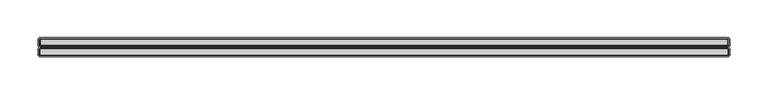
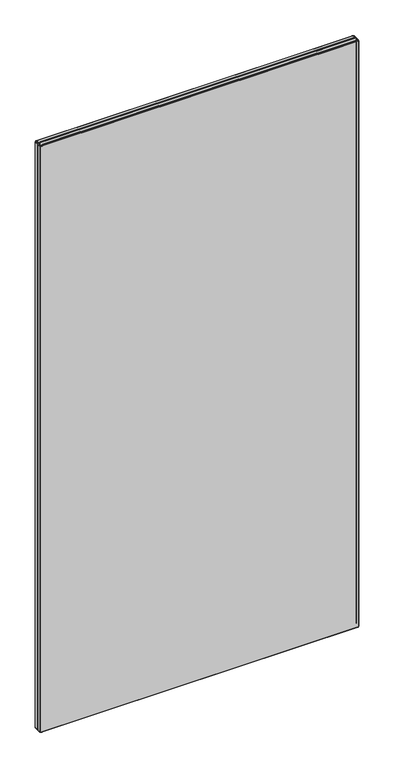
"""IFC4 building model written with IfcOpenShell, lengths in millimetres: furniture geometry."""

from ifc_helpers import new_model, si_unit, origin, place, context, project, spatial, triangles, source, transform, mapped, element, save


def furniture_46b2c177(model_context):
    return source(origin(), model_context, "Body", "Tessellation", [
        triangles([(3818.8903451, 5249.73004, 105.6580039), (3818.8903451, 5241.5620429, 105.6580039), (3817.8323428, 5241.5620429, 106.3650011), (3817.8323428, 5249.73004, 106.3650011), (3820.137362, 5251.1780257, 1879.7949978), (3819.5083306, 5251.1780257, 1879.6700054), (3819.1133693, 5250.7550501, 1880.624017), (3820.137362, 5250.7550501, 1880.8270569), (3817.6643298, 5250.7550501, 107.6450011), (3817.1263539, 5249.73004, 107.4220041), (3816.8773866, 5249.73004, 108.6700021), (3817.4603452, 5250.7550501, 108.6700021), (3819.1133693, 5250.7550501, 106.1969971), (3819.5083306, 5251.1780257, 107.1509996), (3820.137362, 5251.1780257, 107.0259981), (3820.137362, 5250.7550501, 105.9930034), (4727.6183076, 5249.73004, 1881.4100155), (3820.137362, 5249.73004, 1881.4100155), (3820.137362, 5241.5620429, 1881.4100155), (4727.6183076, 5241.5620429, 1881.4100155), (4730.877411, 5241.5620429, 1878.1510574), (4730.877411, 5241.5620429, 108.6700021), (4730.877411, 5249.73004, 108.6700021), (4730.877411, 5249.73004, 1878.1510574), (4728.8653245, 5241.5620429, 1881.1620655), (4728.8653245, 5249.73004, 1881.1620655), (4729.5113606, 5250.7550501, 1880.0429478), (4728.642373, 5250.7550501, 1880.624017), (4729.9233994, 5249.73004, 1880.456004), (4727.6183076, 5250.7550501, 1880.8270569), (4728.247339, 5251.1780257, 1879.6700054), (4727.6183076, 5251.1780257, 1879.7949978), (4728.7803006, 5251.1780257, 1879.3130505), (3817.1263539, 5249.73004, 1879.397929), (3817.1263539, 5241.5620429, 1879.397929), (3817.8323428, 5241.5620429, 1880.456004), (3817.8323428, 5249.73004, 1880.456004), (3816.8773866, 5241.5620429, 1878.1510574), (3816.8773866, 5249.73004, 1878.1510574), (3817.6643298, 5250.7550501, 1879.1749775), (3817.4603452, 5250.7550501, 1878.1510574), (3818.8903451, 5249.73004, 1881.1620655), (3818.2443816, 5250.7550501, 1880.0429478), (4730.0914124, 5250.7550501, 1879.1749775), (4729.1374009, 5251.1780257, 1878.7799435), (3820.137362, 5249.73004, 105.4099994), (3818.2443816, 5250.7550501, 106.7770035), (4730.6293157, 5249.73004, 1879.397929), (3818.975369, 5251.1780257, 107.5070008), (4730.2953244, 5250.7550501, 108.6700021), (4730.2953244, 5250.7550501, 1878.1510574), (4730.6293157, 5241.5620429, 107.4220041), (4730.6293157, 5249.73004, 107.4220041), (4729.9233994, 5241.5620429, 1880.456004), (4730.6293157, 5241.5620429, 1879.397929), (3818.493349, 5251.1780257, 1878.1510574), (3818.493349, 5251.1780257, 108.6700021), (4729.9233994, 5249.73004, 106.3650011), (4729.9233994, 5241.5620429, 106.3650011), (3820.137362, 5241.5620429, 105.4099994), (4728.8653245, 5241.5620429, 105.6580039), (4728.8653245, 5249.73004, 105.6580039), (4727.6183076, 5249.73004, 105.4099994), (4727.6183076, 5241.5620429, 105.4099994), (4727.6183076, 5250.7550501, 105.9930034), (4728.642373, 5250.7550501, 106.1969971), (4729.5113606, 5250.7550501, 106.7770035), (4730.0914124, 5250.7550501, 107.6450011), (4729.1374009, 5251.1780257, 108.0399987), (4729.2623933, 5251.1780257, 108.6700021), (4728.7803006, 5251.1780257, 107.5070008), (4728.247339, 5251.1780257, 107.1509996), (4727.6183076, 5251.1780257, 107.0259981), (3818.6183413, 5251.1780257, 108.0399987), (4729.2623933, 5251.1780257, 1878.1510574), (3818.975369, 5251.1780257, 1879.3130505), (3818.8903451, 5241.5620429, 1881.1620655), (3818.6183413, 5251.1780257, 1878.7799435), (3816.8773866, 5241.5620429, 108.6700021), (3817.1263539, 5241.5620429, 107.4220041), (3820.137362, 5249.73004, 1881.2680183), (3820.137362, 5240.5370328, 1880.8270569), (3820.137362, 5240.1140208, 1879.7949978), (4727.6183076, 5240.1140208, 1879.7949978), (4727.6183076, 5240.5370328, 1880.8270569), (3818.962361, 5239.1640425, 1878.0560051), (3820.2323417, 5239.1640425, 1879.3259857), (3819.7463248, 5239.1640425, 1879.229044), (3819.0593755, 5239.1640425, 1878.5420219), (4728.247339, 5240.1140208, 1879.6700054), (4728.642373, 5240.5370328, 1880.624017), (4727.6183076, 5252.551016, 1879.7949978), (3820.137362, 5252.551016, 1879.7949978), (3818.493349, 5252.551016, 108.6700021), (3818.6183413, 5252.551016, 108.0399987), (4730.0914124, 5240.5370328, 1879.1749775), (4729.5113606, 5240.5370328, 1880.0429478), (3818.6183413, 5252.551016, 1878.7799435), (3818.493349, 5252.551016, 1878.1510574), (4729.2623933, 5252.551016, 1878.1510574), (4729.1374009, 5252.551016, 1878.7799435), (3819.5083306, 5252.551016, 1879.6700054), (3818.975369, 5252.551016, 1879.3130505), (4728.0094174, 5239.1640425, 1879.229044), (4727.5234006, 5239.1640425, 1879.3259857), (4728.7933812, 5239.1640425, 1878.0560051), (4728.6962941, 5239.1640425, 1878.5420219), (3819.0593755, 5239.1640425, 108.2790012), (3819.3343587, 5239.1640425, 107.8669988), (3819.7463248, 5239.1640425, 107.5909982), (3818.962361, 5239.1640425, 108.7649999), (4728.7933812, 5239.1640425, 108.7649999), (4728.6962941, 5239.1640425, 108.2790012), (4727.5234006, 5239.1640425, 107.4950011), (4728.0094174, 5239.1640425, 107.5909982), (3820.2323417, 5239.1640425, 107.4950011), (4728.247339, 5252.551016, 1879.6700054), (4728.7803006, 5252.551016, 1879.3130505), (4728.247339, 5252.551016, 107.1509996), (4727.6183076, 5252.551016, 107.0259981), (4728.4213109, 5239.1640425, 107.8669988), (3820.137362, 5252.551016, 107.0259981), (3819.5083306, 5252.551016, 107.1509996), (3818.975369, 5252.551016, 107.5070008), (4728.7803006, 5252.551016, 107.5070008), (3819.3343587, 5239.1640425, 1878.9540607), (4729.2623933, 5252.551016, 108.6700021), (4728.4213109, 5239.1640425, 1878.9540607), (4729.1374009, 5252.551016, 108.0399987), (4730.2953244, 5240.5370328, 1878.1510574), (3817.4603452, 5240.5370328, 108.6700021), (3818.493349, 5240.1140208, 108.6700021), (3818.493349, 5240.1140208, 1878.1510574), (3817.4603452, 5240.5370328, 1878.1510574), (4730.0914124, 5240.5370328, 107.6450011), (4729.1374009, 5240.1140208, 108.0399987), (4728.7803006, 5240.1140208, 107.5070008), (4729.5113606, 5240.5370328, 106.7770035), (3819.1133693, 5240.5370328, 106.1969971), (3818.2443816, 5240.5370328, 106.7770035), (3820.137362, 5240.5370328, 105.9930034), (3819.5083306, 5240.1140208, 107.1509996), (3818.975369, 5240.1140208, 107.5070008), (3818.6183413, 5240.1140208, 108.0399987), (3817.6643298, 5240.5370328, 107.6450011), (4730.2953244, 5240.5370328, 108.6700021), (4727.6183076, 5240.5370328, 105.9930034), (4728.642373, 5240.5370328, 106.1969971), (4729.2623933, 5240.1140208, 108.6700021), (4728.247339, 5240.1140208, 107.1509996), (3820.137362, 5240.1140208, 107.0259981), (3818.6183413, 5240.1140208, 1878.7799435), (3818.975369, 5240.1140208, 1879.3130505), (3818.2443816, 5240.5370328, 1880.0429478), (3817.6643298, 5240.5370328, 1879.1749775), (3819.5083306, 5240.1140208, 1879.6700054), (4728.7803006, 5240.1140208, 1879.3130505), (4729.1374009, 5240.1140208, 1878.7799435), (4727.6183076, 5240.1140208, 107.0259981), (4729.2623933, 5240.1140208, 1878.1510574), (3819.1133693, 5240.5370328, 1880.624017), (3820.137362, 5252.973047, 1880.8270569), (3820.137362, 5253.9980207, 1881.4100155), (3818.8903451, 5253.9980207, 1881.1620655), (3819.1133693, 5252.973047, 1880.624017), (4729.9233994, 5262.1670352, 106.3650011), (4730.6293157, 5262.1670352, 107.4220041), (4730.6293157, 5253.9980207, 107.4220041), (4729.9233994, 5253.9980207, 106.3650011), (4728.642373, 5252.973047, 106.1969971), (4728.8653245, 5253.9980207, 105.6580039), (4729.5113606, 5252.973047, 106.7770035), (4730.6293157, 5253.9980207, 1879.397929), (4730.6293157, 5262.1670352, 1879.397929), (4729.9233994, 5262.1670352, 1880.456004), (4729.9233994, 5253.9980207, 1880.456004), (4730.0914124, 5252.973047, 107.6450011), (4730.2953244, 5252.973047, 108.6700021), (3820.137362, 5253.9980207, 105.4099994), (3818.8903451, 5253.9980207, 105.6580039), (3818.8903451, 5262.1670352, 105.6580039), (3820.137362, 5262.1670352, 105.4099994), (4727.6183076, 5262.1670352, 105.4099994), (4728.8653245, 5262.1670352, 105.6580039), (4727.6183076, 5253.9980207, 105.4099994), (4730.0914124, 5252.973047, 1879.1749775), (4729.5113606, 5252.973047, 1880.0429478), (4730.877411, 5253.9980207, 1878.1510574), (4730.2953244, 5252.973047, 1878.1510574), (3817.8323428, 5253.9980207, 1880.456004), (3818.8903451, 5262.1670352, 1881.1620655), (3817.8323428, 5262.1670352, 1880.456004), (3818.2443816, 5252.973047, 106.7770035), (3817.6643298, 5252.973047, 107.6450011), (3817.1263539, 5253.9980207, 107.4220041), (3817.8323428, 5253.9980207, 106.3650011), (3820.137362, 5252.973047, 105.9930034), (3819.1133693, 5252.973047, 106.1969971), (4730.877411, 5253.9980207, 108.6700021), (4730.877411, 5262.1670352, 108.6700021), (4730.877411, 5262.1670352, 1878.1510574), (3817.8323428, 5262.1670352, 106.3650011), (3820.137362, 5262.1670352, 1881.4100155), (4728.642373, 5252.973047, 1880.624017), (4728.8653245, 5253.9980207, 1881.1620655), (4727.6183076, 5253.9980207, 1881.4100155), (4727.6183076, 5252.973047, 1880.8270569), (3818.2443816, 5252.973047, 1880.0429478), (3817.1263539, 5253.9980207, 1879.397929), (3817.6643298, 5252.973047, 1879.1749775), (3817.4603452, 5252.973047, 108.6700021), (4727.6183076, 5252.973047, 105.9930034), (4728.8653245, 5262.1670352, 1881.1620655), (4727.6183076, 5262.1670352, 1881.4100155), (3816.8773866, 5253.9980207, 1878.1510574), (3817.1263539, 5262.1670352, 1879.397929), (3816.8773866, 5262.1670352, 1878.1510574), (3816.8773866, 5253.9980207, 108.6700021), (3817.4603452, 5252.973047, 1878.1510574), (3820.137362, 5253.9980207, 1881.2680183), (3816.8773866, 5262.1670352, 108.6700021), (3817.1263539, 5262.1670352, 107.4220041), (3817.6643298, 5263.1920453, 1879.1749775), (3818.2443816, 5263.1920453, 1880.0429478), (3820.137362, 5263.6140399, 1879.7949978), (3819.5083306, 5263.6140399, 1879.6700054), (3819.1133693, 5263.1920453, 1880.624017), (3820.137362, 5263.1920453, 1880.8270569), (3818.975369, 5263.6140399, 1879.3130505), (3818.6183413, 5263.6140399, 1878.7799435), (3818.493349, 5263.6140399, 1878.1510574), (3817.4603452, 5263.1920453, 1878.1510574), (3818.493349, 5263.6140399, 108.6700021), (3817.4603452, 5263.1920453, 108.6700021), (3819.1133693, 5263.1920453, 106.1969971), (3818.2443816, 5263.1920453, 106.7770035), (3819.0593755, 5264.5640182, 108.2790012), (3819.7463248, 5264.5640182, 107.5909982), (3819.3343587, 5264.5640182, 107.8669988), (3818.962361, 5264.5640182, 1878.0560051), (3820.2323417, 5264.5640182, 1879.3259857), (4727.5234006, 5264.5640182, 1879.3259857), (4728.7933812, 5264.5640182, 1878.0560051), (4729.5113606, 5263.1920453, 1880.0429478), (4728.7803006, 5263.6140399, 1879.3130505), (4728.247339, 5263.6140399, 1879.6700054), (4728.642373, 5263.1920453, 1880.624017), (3817.6643298, 5263.1920453, 107.6450011), (3819.0593755, 5264.5640182, 1878.5420219), (3819.7463248, 5264.5640182, 1879.229044), (4728.0094174, 5264.5640182, 107.5909982), (4728.6962941, 5264.5640182, 108.2790012), (4728.4213109, 5264.5640182, 107.8669988), (4727.6183076, 5263.1920453, 1880.8270569), (4730.0914124, 5263.1920453, 1879.1749775), (4729.1374009, 5263.6140399, 1878.7799435), (4728.7933812, 5264.5640182, 108.7649999), (3818.962361, 5264.5640182, 108.7649999), (3820.137362, 5263.1920453, 105.9930034), (3818.6183413, 5263.6140399, 108.0399987), (4728.0094174, 5264.5640182, 1879.229044), (4728.4213109, 5264.5640182, 1878.9540607), (4728.6962941, 5264.5640182, 1878.5420219), (4730.2953244, 5263.1920453, 1878.1510574), (3818.975369, 5263.6140399, 107.5070008), (3819.3343587, 5264.5640182, 1878.9540607), (3819.5083306, 5263.6140399, 107.1509996), (3820.137362, 5263.6140399, 107.0259981), (4729.2623933, 5263.6140399, 1878.1510574), (3820.2323417, 5264.5640182, 107.4950011), (4727.6183076, 5263.6140399, 1879.7949978), (4727.5234006, 5264.5640182, 107.4950011), (4730.2953244, 5263.1920453, 108.6700021), (4729.2623933, 5263.6140399, 108.6700021), (4727.6183076, 5263.6140399, 107.0259981), (4727.6183076, 5263.1920453, 105.9930034), (4728.7803006, 5263.6140399, 107.5070008), (4728.247339, 5263.6140399, 107.1509996), (4729.1374009, 5263.6140399, 108.0399987), (4729.5113606, 5263.1920453, 106.7770035), (4728.642373, 5263.1920453, 106.1969971), (4730.0914124, 5263.1920453, 107.6450011)], [[1, 2, 3], [1, 3, 4], [5, 6, 7], [5, 7, 8], [9, 10, 11], [9, 11, 12], [13, 14, 15], [13, 15, 16], [17, 18, 19], [17, 19, 20], [21, 22, 23], [21, 23, 24], [17, 20, 25], [17, 25, 26], [27, 28, 26], [27, 26, 29], [30, 17, 26], [30, 26, 28], [30, 28, 31], [30, 31, 32], [27, 33, 31], [27, 31, 28], [34, 35, 36], [34, 36, 37], [38, 35, 34], [38, 34, 39], [39, 34, 40], [39, 40, 41], [37, 42, 7], [37, 7, 43], [27, 44, 45], [27, 45, 33], [40, 34, 37], [40, 37, 43], [7, 42, 18], [7, 18, 8], [46, 1, 13], [46, 13, 16], [4, 10, 9], [4, 9, 47], [27, 29, 48], [27, 48, 44], [49, 14, 13], [49, 13, 47], [24, 23, 50], [24, 50, 51], [23, 22, 52], [23, 52, 53], [13, 1, 4], [13, 4, 47], [29, 54, 55], [29, 55, 48], [41, 56, 57], [41, 57, 12], [58, 53, 52], [58, 52, 59], [60, 2, 1], [60, 1, 46], [58, 59, 61], [58, 61, 62], [63, 62, 61], [63, 61, 64], [65, 66, 62], [65, 62, 63], [67, 58, 62], [67, 62, 66], [67, 68, 53], [67, 53, 58], [50, 23, 53], [50, 53, 68], [50, 68, 69], [50, 69, 70], [67, 71, 69], [67, 69, 68], [67, 66, 72], [67, 72, 71], [65, 73, 72], [65, 72, 66], [64, 60, 46], [64, 46, 63], [9, 74, 49], [9, 49, 47], [50, 70, 75], [50, 75, 51], [7, 6, 76], [7, 76, 43], [57, 74, 9], [57, 9, 12], [29, 26, 25], [29, 25, 54], [36, 77, 42], [36, 42, 37], [24, 48, 55], [24, 55, 21], [51, 75, 45], [51, 45, 44], [76, 78, 40], [76, 40, 43], [30, 32, 5], [30, 5, 8], [40, 78, 56], [40, 56, 41], [39, 11, 79], [39, 79, 38], [41, 12, 11], [41, 11, 39], [3, 80, 10], [3, 10, 4], [10, 80, 79], [10, 79, 11], [42, 77, 19], [42, 19, 18], [51, 44, 48], [51, 48, 24], [30, 8, 81], [30, 81, 17], [82, 83, 84], [82, 84, 85], [58, 62, 66], [58, 66, 67], [16, 13, 14], [16, 14, 15], [47, 49, 14], [47, 14, 13], [86, 87, 88], [86, 88, 89], [84, 90, 91], [84, 91, 85], [92, 93, 5], [92, 5, 32], [94, 95, 74], [94, 74, 57], [96, 55, 54], [96, 54, 97], [98, 99, 56], [98, 56, 78], [100, 101, 45], [100, 45, 75], [47, 9, 74], [47, 74, 49], [68, 69, 70], [68, 70, 50], [16, 15, 73], [16, 73, 65], [4, 3, 80], [4, 80, 10], [102, 103, 76], [102, 76, 6], [16, 46, 1], [16, 1, 13], [106, 104, 105], [104, 106, 107], [108, 109, 110], [106, 105, 87], [106, 87, 86], [73, 72, 66], [73, 66, 65], [46, 60, 2], [46, 2, 1], [47, 4, 10], [47, 10, 9], [106, 86, 111], [106, 111, 112], [114, 113, 112], [113, 114, 115], [111, 116, 114], [111, 114, 112], [68, 53, 58], [68, 58, 67], [102, 6, 5], [102, 5, 93], [92, 32, 31], [92, 31, 117], [118, 33, 45], [118, 45, 101], [119, 72, 73], [119, 73, 120], [115, 121, 113], [122, 15, 14], [122, 14, 123], [71, 69, 68], [71, 68, 67], [124, 123, 14], [124, 14, 49], [119, 125, 71], [119, 71, 72], [53, 52, 59], [53, 59, 58], [66, 72, 71], [66, 71, 67], [124, 49, 74], [124, 74, 95], [94, 57, 56], [94, 56, 99], [91, 25, 20], [91, 20, 85], [20, 19, 82], [20, 82, 85], [22, 52, 53], [22, 53, 23], [118, 117, 31], [118, 31, 33], [108, 110, 116], [111, 108, 116], [89, 88, 126], [23, 53, 68], [23, 68, 50], [59, 61, 62], [59, 62, 58], [62, 61, 64], [62, 64, 63], [63, 46, 16], [63, 16, 65], [11, 10, 80], [11, 80, 79], [98, 78, 76], [98, 76, 103], [100, 75, 70], [100, 70, 127], [104, 107, 128], [47, 13, 1], [47, 1, 4], [129, 127, 70], [129, 70, 69], [12, 57, 74], [12, 74, 9], [4, 1, 2], [4, 2, 3], [129, 69, 71], [129, 71, 125], [122, 120, 73], [122, 73, 15], [21, 55, 96], [21, 96, 130], [54, 25, 91], [54, 91, 97], [12, 9, 10], [12, 10, 11], [66, 62, 63], [66, 63, 65], [131, 132, 133], [131, 133, 134], [135, 136, 137], [135, 137, 138], [3, 2, 139], [3, 139, 140], [139, 2, 60], [139, 60, 141], [139, 142, 143], [139, 143, 140], [143, 144, 145], [143, 145, 140], [140, 3, 2], [140, 2, 139], [140, 145, 80], [140, 80, 3], [146, 135, 52], [146, 52, 22], [147, 64, 61], [147, 61, 148], [149, 136, 135], [149, 135, 146], [140, 143, 144], [140, 144, 145], [138, 137, 150], [138, 150, 148], [151, 142, 139], [151, 139, 141], [145, 144, 132], [145, 132, 131], [152, 89, 126], [152, 126, 153], [131, 79, 80], [131, 80, 145], [141, 151, 142], [141, 142, 139], [138, 59, 52], [138, 52, 135], [59, 52, 135], [59, 135, 138], [152, 133, 86], [152, 86, 89], [137, 150, 148], [137, 148, 138], [154, 155, 152], [154, 152, 153], [156, 153, 126], [156, 126, 88], [91, 90, 157], [91, 157, 97], [156, 88, 87], [156, 87, 83], [64, 61, 148], [64, 148, 147], [38, 79, 131], [38, 131, 134], [135, 52, 22], [135, 22, 146], [138, 148, 61], [138, 61, 59], [84, 83, 87], [84, 87, 105], [84, 105, 104], [84, 104, 90], [157, 90, 104], [157, 104, 128], [157, 128, 107], [157, 107, 158], [147, 159, 151], [147, 151, 141], [130, 160, 149], [130, 149, 146], [160, 158, 107], [160, 107, 106], [132, 111, 86], [132, 86, 133], [111, 132, 144], [111, 144, 108], [109, 108, 144], [109, 144, 143], [109, 143, 142], [109, 142, 110], [116, 110, 142], [116, 142, 151], [159, 114, 116], [159, 116, 151], [140, 139, 142], [140, 142, 143], [130, 146, 22], [130, 22, 21], [148, 61, 59], [148, 59, 138], [134, 155, 35], [134, 35, 38], [154, 153, 156], [154, 156, 161], [154, 36, 35], [154, 35, 155], [154, 161, 77], [154, 77, 36], [82, 19, 77], [82, 77, 161], [131, 145, 144], [131, 144, 132], [96, 158, 160], [96, 160, 130], [148, 150, 159], [148, 159, 147], [157, 158, 96], [157, 96, 97], [141, 139, 2], [141, 2, 60], [82, 161, 156], [82, 156, 83], [147, 141, 60], [147, 60, 64], [147, 148, 150], [147, 150, 159], [138, 135, 136], [138, 136, 137], [134, 133, 152], [134, 152, 155], [146, 149, 136], [146, 136, 135], [79, 80, 145], [79, 145, 131], [145, 80, 3], [145, 3, 140], [162, 163, 164], [162, 164, 165], [166, 167, 168], [166, 168, 169], [170, 171, 169], [170, 169, 172], [173, 174, 175], [173, 175, 176], [127, 129, 177], [127, 177, 178], [177, 129, 125], [177, 125, 172], [179, 180, 181], [179, 181, 182], [183, 184, 171], [183, 171, 185], [112, 113, 136], [112, 136, 149], [186, 173, 176], [186, 176, 187], [188, 173, 186], [188, 186, 189], [190, 164, 191], [190, 191, 192], [193, 194, 195], [193, 195, 196], [197, 122, 123], [197, 123, 198], [114, 159, 150], [114, 150, 115], [118, 101, 186], [118, 186, 187], [188, 199, 200], [188, 200, 201], [171, 184, 166], [171, 166, 169], [177, 168, 199], [177, 199, 178], [125, 119, 170], [125, 170, 172], [185, 179, 182], [185, 182, 183], [168, 167, 200], [168, 200, 199], [196, 202, 181], [196, 181, 180], [121, 137, 136], [121, 136, 113], [163, 203, 191], [163, 191, 164], [169, 168, 177], [169, 177, 172], [193, 198, 123], [193, 123, 124], [204, 205, 206], [204, 206, 207], [208, 190, 209], [208, 209, 210], [211, 194, 95], [211, 95, 94], [185, 171, 170], [185, 170, 212], [170, 119, 120], [170, 120, 212], [185, 183, 184], [185, 184, 171], [205, 213, 214], [205, 214, 206], [215, 209, 216], [215, 216, 217], [215, 218, 211], [215, 211, 219], [197, 198, 180], [197, 180, 179], [193, 124, 95], [193, 95, 194], [206, 220, 162], [206, 162, 207], [219, 99, 98], [219, 98, 210], [189, 100, 127], [189, 127, 178], [201, 174, 173], [201, 173, 188], [162, 165, 102], [162, 102, 93], [160, 106, 112], [160, 112, 149], [204, 117, 118], [204, 118, 187], [121, 115, 150], [121, 150, 137], [92, 117, 204], [92, 204, 207], [186, 101, 100], [186, 100, 189], [208, 103, 102], [208, 102, 165], [176, 205, 204], [176, 204, 187], [214, 203, 163], [214, 163, 206], [190, 192, 216], [190, 216, 209], [208, 165, 164], [208, 164, 190], [208, 210, 98], [208, 98, 103], [217, 221, 218], [217, 218, 215], [211, 94, 99], [211, 99, 219], [218, 221, 222], [218, 222, 195], [196, 195, 222], [196, 222, 202], [193, 196, 180], [193, 180, 198], [211, 218, 195], [211, 195, 194], [175, 213, 205], [175, 205, 176], [219, 210, 209], [219, 209, 215], [162, 93, 92], [162, 92, 207], [189, 178, 199], [189, 199, 188], [223, 216, 192], [223, 192, 224], [225, 226, 227], [225, 227, 228], [229, 230, 223], [229, 223, 224], [202, 181, 180], [202, 180, 196], [212, 185, 171], [212, 171, 170], [218, 195, 194], [218, 194, 211], [223, 230, 231], [223, 231, 232], [172, 170, 171], [172, 171, 169], [195, 222, 202], [195, 202, 196], [232, 231, 233], [232, 233, 234], [235, 181, 202], [235, 202, 236], [237, 238, 239], [240, 241, 242], [240, 242, 243], [244, 245, 246], [244, 246, 247], [202, 222, 248], [202, 248, 236], [180, 181, 182], [180, 182, 179], [249, 250, 241], [240, 249, 241], [251, 252, 253], [244, 247, 213], [244, 213, 175], [254, 214, 213], [254, 213, 247], [244, 255, 256], [244, 256, 245], [257, 258, 240], [257, 240, 243], [254, 228, 203], [254, 203, 214], [192, 191, 227], [192, 227, 224], [244, 175, 174], [244, 174, 255], [232, 234, 221], [232, 221, 217], [248, 222, 221], [248, 221, 234], [182, 181, 235], [182, 235, 259], [233, 260, 248], [233, 248, 234], [178, 127, 129], [178, 129, 177], [261, 262, 263], [264, 255, 174], [264, 174, 201], [248, 260, 265], [248, 265, 236], [249, 266, 250], [265, 267, 235], [265, 235, 236], [235, 267, 268], [235, 268, 259], [212, 170, 119], [212, 119, 120], [172, 169, 168], [172, 168, 177], [221, 222, 195], [221, 195, 218], [198, 180, 179], [198, 179, 197], [124, 95, 194], [124, 194, 193], [264, 269, 256], [264, 256, 255], [172, 125, 119], [172, 119, 170], [122, 123, 198], [122, 198, 197], [194, 95, 94], [194, 94, 211], [227, 191, 203], [227, 203, 228], [227, 226, 229], [227, 229, 224], [212, 120, 122], [212, 122, 197], [212, 197, 179], [212, 179, 185], [169, 171, 184], [169, 184, 166], [194, 195, 196], [194, 196, 193], [169, 166, 167], [169, 167, 168], [196, 180, 198], [196, 198, 193], [258, 270, 238], [258, 238, 237], [254, 247, 246], [254, 246, 271], [217, 216, 223], [217, 223, 232], [172, 177, 129], [172, 129, 125], [198, 123, 124], [198, 124, 193], [178, 177, 168], [178, 168, 199], [242, 263, 243], [263, 242, 261], [257, 251, 272], [251, 257, 252], [199, 168, 167], [199, 167, 200], [257, 272, 270], [257, 270, 258], [254, 271, 225], [254, 225, 228], [237, 260, 233], [237, 233, 258], [273, 274, 269], [273, 269, 264], [259, 268, 275], [259, 275, 276], [236, 265, 267], [236, 267, 235], [268, 267, 238], [268, 238, 270], [277, 278, 251], [277, 251, 253], [252, 279, 277], [252, 277, 253], [280, 166, 184], [280, 184, 281], [277, 279, 282], [277, 282, 280], [259, 235, 267], [259, 267, 268], [280, 277, 279], [280, 279, 282], [249, 240, 231], [249, 231, 230], [231, 240, 258], [231, 258, 233], [274, 279, 252], [274, 252, 257], [280, 281, 278], [280, 278, 277], [282, 279, 274], [282, 274, 273], [200, 167, 282], [200, 282, 273], [276, 275, 278], [276, 278, 281], [236, 248, 260], [236, 260, 265], [273, 282, 279], [273, 279, 274], [225, 241, 250], [225, 250, 226], [242, 241, 225], [271, 242, 225], [234, 233, 260], [234, 260, 248], [273, 200, 167], [273, 167, 282], [282, 167, 166], [282, 166, 280], [229, 266, 249], [229, 249, 230], [250, 266, 229], [250, 229, 226], [243, 263, 256], [243, 256, 269], [268, 270, 272], [268, 272, 275], [274, 257, 243], [274, 243, 269], [234, 248, 222], [234, 222, 221], [166, 184, 281], [166, 281, 280], [183, 182, 259], [183, 259, 276], [276, 281, 184], [276, 184, 183], [251, 278, 275], [251, 275, 272], [265, 260, 237], [265, 237, 239], [259, 182, 181], [259, 181, 235], [281, 278, 277], [281, 277, 280], [256, 263, 262], [256, 262, 245], [236, 202, 222], [236, 222, 248], [262, 261, 246], [262, 246, 245], [281, 184, 183], [281, 183, 276], [238, 267, 265], [238, 265, 239], [236, 235, 181], [236, 181, 202], [201, 200, 273], [201, 273, 264], [246, 261, 242], [246, 242, 271], [280, 282, 167], [280, 167, 166], [275, 278, 281], [275, 281, 276]], closed=False),
    ])


if __name__ == "__main__":
    model = new_model("IFC4")
    model_context = context("Model", 3, world=origin())
    ifc_project = project(units=[si_unit("LENGTHUNIT", "METRE", prefix="MILLI")], contexts=[model_context])
    site = spatial("IfcSite", under=ifc_project)
    building = spatial("IfcBuilding", under=site)
    placement = place(None, origin())
    furniture_shape = furniture_46b2c177(model_context)
    element("IfcFurniture", 1, at=placement, inside=building, context=model_context, shape_type="MappedRepresentation", body=[
        mapped(furniture_shape, transform((0.0, 0.0, 0.0), x_axis=(1.0, 0.0, 0.0), y_axis=(0.0, 1.0, 0.0), z_axis=(0.0, 0.0, 1.0))),
    ])
    save(model, "model.ifc")
